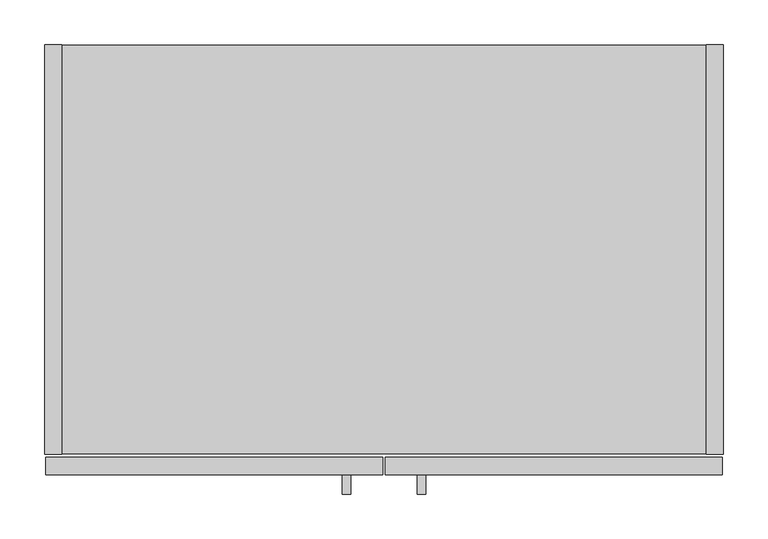
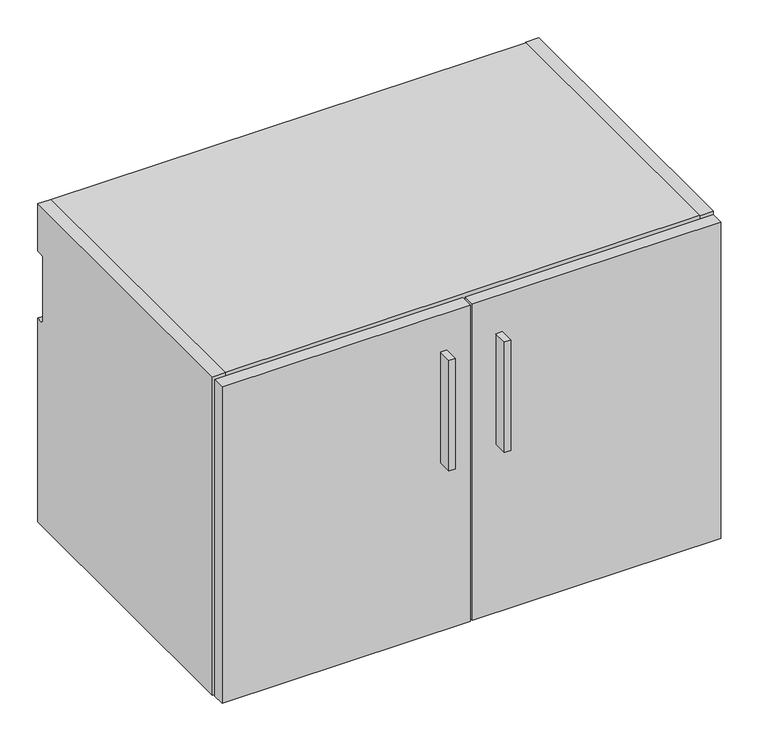
"""IFC4 building model written with IfcOpenShell, lengths in millimetres: furniture geometry."""

from ifc_helpers import new_model, si_unit, point, frame, frame_2d, origin, place, context, project, spatial, polyline, circle_curve, trimmed, segment, composite_curve, outline, extrude, source, transform, mapped, element, save


def furniture_2e2961e6(model_context):
    return source(origin(), model_context, "Body", "SweptSolid", [
        extrude(outline(polyline([(343.5338631, -504.825), (334.0088631, -504.825), (334.0088631, -482.6), (343.5338631, -482.6), (343.5338631, -504.825)])), frame((0.0, 0.0, 647.7), z_axis=(0.0, 0.0, 1.0), x_axis=(1.0, 0.0, 0.0)), (0.0, 0.0, 1.0), 177.8),
        extrude(outline(polyline([(427.9888631, -504.825), (418.4638631, -504.825), (418.4638631, -482.6), (427.9888631, -482.6), (427.9888631, -504.825)])), frame((0.0, 0.0, 647.7), z_axis=(0.0, 0.0, 1.0), x_axis=(1.0, 0.0, 0.0)), (0.0, 0.0, 1.0), 177.8),
        extrude(outline(polyline([(379.4125, -482.6), (1.5875, -482.6), (1.5875, -463.296), (379.4125, -463.296), (379.4125, -482.6)])), frame((0.0, 0.0, 376.428), z_axis=(0.0, 0.0, 1.0), x_axis=(1.0, 0.0, 0.0)), (0.0, 0.0, 1.0), 509.397),
        extrude(outline(polyline([(760.4125, -482.6), (382.5875, -482.6), (382.5875, -463.296), (760.4125, -463.296), (760.4125, -482.6)])), frame((0.0, 0.0, 376.428), z_axis=(0.0, 0.0, 1.0), x_axis=(1.0, 0.0, 0.0)), (0.0, 0.0, 1.0), 509.397),
        extrude(outline(composite_curve([segment(polyline([(-460.121, 889.0), (0.0, 889.0), (0.0, 812.292), (-9.3963729, 812.292)]), True, "CONTINUOUS"), segment(trimmed(circle_curve(frame_2d((-9.3963729, 808.9883729)), 3.3036271), [point((-9.3963729, 812.292))], [point((-12.7, 808.9883729))], True, "CARTESIAN"), True, "CONTINUOUS"), segment(polyline([(-12.7, 808.9883729), (-12.7, 707.644)]), True, "CONTINUOUS"), segment(trimmed(circle_curve(frame_2d((-9.398, 707.644)), 3.302), [point((-12.7, 707.644))], [point((-9.398, 704.342))], True, "CARTESIAN"), True, "CONTINUOUS"), segment(polyline([(-9.398, 704.342), (0.0, 704.342), (0.0, 376.428), (-460.121, 376.428), (-460.121, 889.0)]), True, "CONTINUOUS")], self_intersect=False)), frame((742.696, 0.0, 0.0), z_axis=(1.0, 0.0, 0.0), x_axis=(0.0, 1.0, 0.0)), (0.0, 0.0, 1.0), 19.304),
        extrude(outline(polyline([(742.696, -0.9906), (742.696, -459.1304), (19.304, -459.1304), (19.304, -0.9906), (742.696, -0.9906)])), frame((0.0, 0.0, 377.4186), z_axis=(0.0, 0.0, 1.0), x_axis=(1.0, 0.0, 0.0)), (0.0, 0.0, 1.0), 19.304),
        extrude(outline(composite_curve([segment(polyline([(-32.004, 869.696), (-11.938, 869.696), (-11.938, 811.0988429)]), True, "CONTINUOUS"), segment(trimmed(circle_curve(frame_2d((-9.3963729, 808.9883729)), 3.3036271), [point((-11.938, 811.0988429))], [point((-12.7, 808.9883729))], True, "CARTESIAN"), True, "CONTINUOUS"), segment(polyline([(-12.7, 808.9883729), (-12.7, 707.644)]), True, "CONTINUOUS"), segment(trimmed(circle_curve(frame_2d((-9.398, 707.644)), 3.302), [point((-12.7, 707.644))], [point((-11.938, 705.5341175))], True, "CARTESIAN"), True, "CONTINUOUS"), segment(polyline([(-11.938, 705.5341175), (-11.938, 396.7226), (-32.004, 396.7226), (-32.004, 869.696)]), True, "CONTINUOUS")], self_intersect=False)), frame((19.304, 0.0, 0.0), z_axis=(1.0, 0.0, 0.0), x_axis=(0.0, 1.0, 0.0)), (0.0, 0.0, 1.0), 723.392),
        extrude(outline(composite_curve([segment(polyline([(-460.121, 889.0), (0.0, 889.0), (0.0, 812.292), (-9.3963729, 812.292)]), True, "CONTINUOUS"), segment(trimmed(circle_curve(frame_2d((-9.3963729, 808.9883729)), 3.3036271), [point((-9.3963729, 812.292))], [point((-12.7, 808.9883729))], True, "CARTESIAN"), True, "CONTINUOUS"), segment(polyline([(-12.7, 808.9883729), (-12.7, 707.644)]), True, "CONTINUOUS"), segment(trimmed(circle_curve(frame_2d((-9.398, 707.644)), 3.302), [point((-12.7, 707.644))], [point((-9.398, 704.342))], True, "CARTESIAN"), True, "CONTINUOUS"), segment(polyline([(-9.398, 704.342), (0.0, 704.342), (0.0, 376.428), (-460.121, 376.428), (-460.121, 889.0)]), True, "CONTINUOUS")], self_intersect=False)), frame((0.0, 0.0, 0.0), z_axis=(1.0, 0.0, 0.0), x_axis=(0.0, 1.0, 0.0)), (0.0, 0.0, 1.0), 19.304),
        extrude(outline(polyline([(742.696, -459.1304), (19.304, -459.1304), (19.304, -0.9906), (742.696, -0.9906), (742.696, -459.1304)])), frame((0.0, 0.0, 869.696), z_axis=(0.0, 0.0, 1.0), x_axis=(1.0, 0.0, 0.0)), (0.0, 0.0, 1.0), 19.304),
    ])


if __name__ == "__main__":
    model = new_model("IFC4")
    model_context = context("Model", 3, world=origin())
    ifc_project = project(units=[si_unit("LENGTHUNIT", "METRE", prefix="MILLI")], contexts=[model_context])
    site = spatial("IfcSite", under=ifc_project)
    building = spatial("IfcBuilding", under=site)
    placement = place(None, origin())
    furniture_shape = furniture_2e2961e6(model_context)
    element("IfcFurniture", 1, at=placement, inside=building, context=model_context, shape_type="MappedRepresentation", body=[
        mapped(furniture_shape, transform((0.0, 0.0, 0.0), x_axis=(1.0, 0.0, 0.0), y_axis=(0.0, 1.0, 0.0), z_axis=(0.0, 0.0, 1.0))),
    ])
    save(model, "model.ifc")
